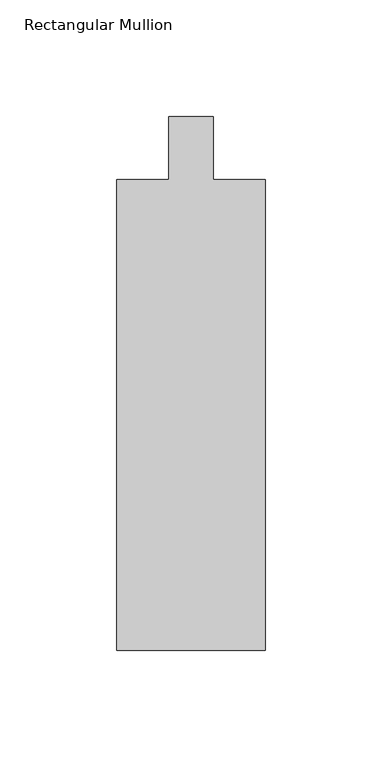
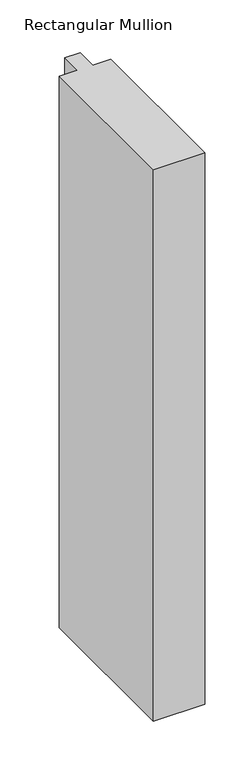
"""IFC4 building model written with IfcOpenShell, lengths in millimetres: member geometry, Rectangular Mullion."""

from ifc_helpers import new_model, si_unit, frame, origin, place, context, project, spatial, polyline, outline, extrude, source, transform, mapped, element, save


def rectangular_mullion_7ddaa0c3(model_context):
    return source(origin(), model_context, "Body", "SweptSolid", [
        extrude(outline(polyline([(-63.5, -228.6), (-63.5, -26.9875), (-41.275, -26.9875), (-41.275, 0.0), (-22.225, 0.0), (-22.225, -26.9875), (0.0, -26.9875), (0.0, -228.6), (-63.5, -228.6)])), frame((0.0, 0.0, -720.7250009), z_axis=(0.0, 0.0, 1.0), x_axis=(1.0, 0.0, 0.0)), (0.0, 0.0, 1.0), 720.7250009),
    ])


if __name__ == "__main__":
    model = new_model("IFC4")
    model_context = context("Model", 3, world=origin())
    ifc_project = project(units=[si_unit("LENGTHUNIT", "METRE", prefix="MILLI")], contexts=[model_context])
    site = spatial("IfcSite", under=ifc_project)
    building = spatial("IfcBuilding", under=site)
    placement = place(None, origin())
    rectangular_mullion_shape = rectangular_mullion_7ddaa0c3(model_context)
    element("IfcMember", 1, ObjectType="Rectangular Mullion", at=placement, inside=building, context=model_context, shape_type="MappedRepresentation", body=[
        mapped(rectangular_mullion_shape, transform((0.0, 0.0, 0.0), x_axis=(1.0, 0.0, 0.0), y_axis=(0.0, 1.0, 0.0), z_axis=(0.0, 0.0, 1.0))),
    ])
    save(model, "model.ifc")
